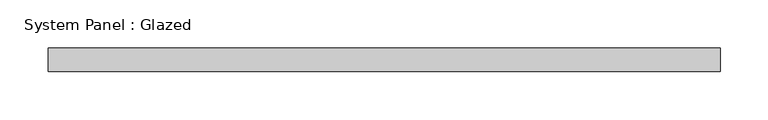
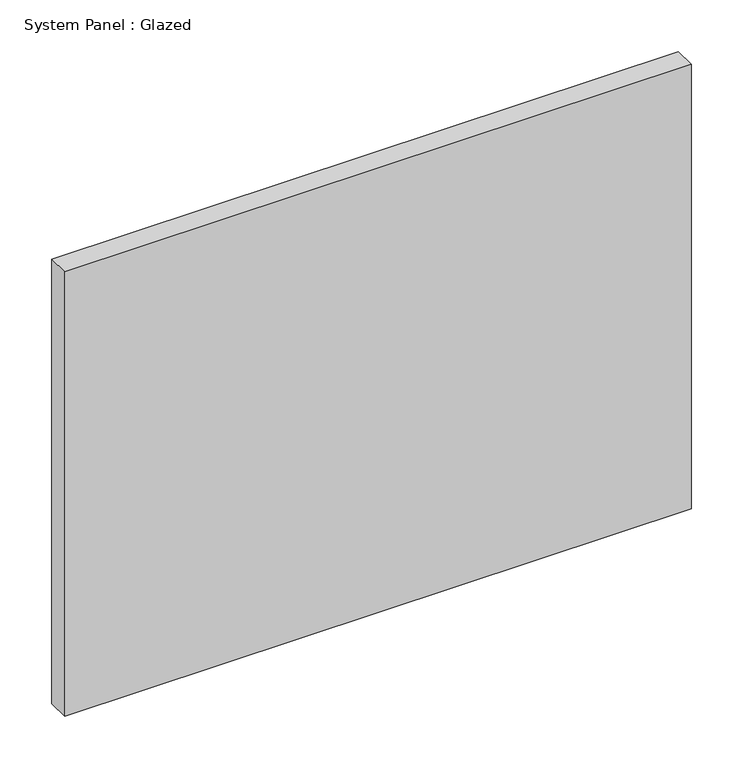
"""IFC4 building model written with IfcOpenShell, lengths in millimetres: plate geometry, System Panel : Glazed."""

from ifc_helpers import new_model, si_unit, origin, origin_with_axes, place, context, project, spatial, polyline, outline, extrude, source, transform, mapped, element, save


def system_panel_glazed_5a15b737(model_context):
    return source(origin(), model_context, "Body", "SweptSolid", [
        extrude(outline(polyline([(350.0, 24.5), (-350.0, 24.5), (-350.0, 49.5), (350.0, 49.5), (350.0, 24.5)])), origin_with_axes(), (0.0, 0.0, 1.0), 525.0),
    ])


if __name__ == "__main__":
    model = new_model("IFC4")
    model_context = context("Model", 3, world=origin())
    ifc_project = project(units=[si_unit("LENGTHUNIT", "METRE", prefix="MILLI")], contexts=[model_context])
    site = spatial("IfcSite", under=ifc_project)
    building = spatial("IfcBuilding", under=site)
    placement = place(None, origin())
    system_panel_glazed_shape = system_panel_glazed_5a15b737(model_context)
    element("IfcPlate", 1, ObjectType="System Panel : Glazed", at=placement, inside=building, context=model_context, shape_type="MappedRepresentation", body=[
        mapped(system_panel_glazed_shape, transform((0.0, 0.0, 0.0), x_axis=(1.0, 0.0, 0.0), y_axis=(0.0, 1.0, 0.0), z_axis=(0.0, 0.0, 1.0))),
    ])
    save(model, "model.ifc")
